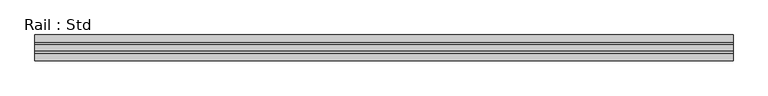
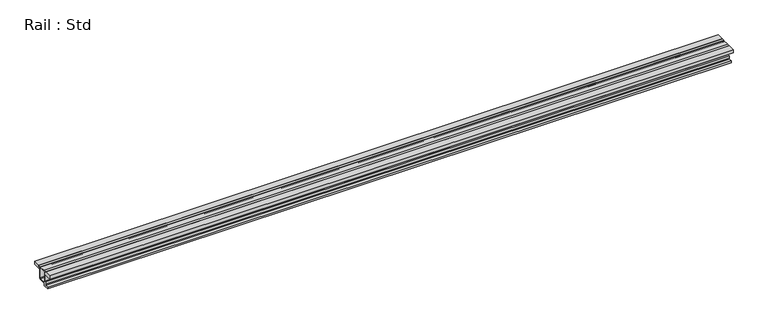
"""IFC4 building model written with IfcOpenShell, lengths in millimetres: proxy geometry, Rail : Std."""

from ifc_helpers import new_model, si_unit, point, frame, frame_2d, origin, place, context, project, spatial, polyline, circle_curve, trimmed, segment, composite_curve, outline, extrude, source, transform, mapped, element, save


def rail_std_59f6c642(model_context):
    return source(origin(), model_context, "Body", "SweptSolid", [
        extrude(outline(composite_curve([segment(polyline([(44.0, 0.0), (44.0, -21.0), (-10.0, -21.0), (-10.0, -10.5272152)]), True, "CONTINUOUS"), segment(trimmed(circle_curve(frame_2d((-8.4863924, -10.5136076)), 1.5136687), [point((-10.0, -10.5272152))], [point((-8.4727848, -9.0))], False, "CARTESIAN"), True, "CONTINUOUS"), segment(polyline([(-8.4727848, -9.0), (0.0, -9.0), (0.0, 0.0), (44.0, 0.0)]), True, "CONTINUOUS")], self_intersect=False)), frame((0.0, 0.0, 0.0), z_axis=(1.0, 0.0, 0.0), x_axis=(0.0, 1.0, 0.0)), (0.0, 0.0, 1.0), 4300.0),
        extrude(outline(composite_curve([segment(polyline([(-116.4999, 0.0), (-72.4999, 0.0), (-72.4999, -9.0), (-64.0271152, -9.0)]), True, "CONTINUOUS"), segment(trimmed(circle_curve(frame_2d((-64.0135076, -10.5136076)), 1.5136687), [point((-64.0271152, -9.0))], [point((-62.4999, -10.5272152))], False, "CARTESIAN"), True, "CONTINUOUS"), segment(polyline([(-62.4999, -10.5272152), (-62.4999, -21.0), (-116.4999, -21.0), (-116.4999, 0.0)]), True, "CONTINUOUS")], self_intersect=False)), frame((0.0, 0.0, 0.0), z_axis=(1.0, 0.0, 0.0), x_axis=(0.0, 1.0, 0.0)), (0.0, 0.0, 1.0), 4300.0),
        extrude(outline(composite_curve([segment(polyline([(-14.8549, 0.0), (0.0, 0.0), (0.0, -9.0), (-8.4727848, -9.0)]), True, "CONTINUOUS"), segment(trimmed(circle_curve(frame_2d((-8.4863924, -10.5136076)), 1.5136687), [point((-8.4727848, -9.0))], [point((-10.0, -10.5272152))], True, "CARTESIAN"), True, "CONTINUOUS"), segment(polyline([(-10.0, -10.5272152), (-10.0, -78.0)]), True, "CONTINUOUS"), segment(trimmed(circle_curve(frame_2d((-15.0164239, -77.9835761)), 5.0164508), [point((-10.0, -78.0))], [point((-15.0328479, -83.0))], False, "CARTESIAN"), True, "CONTINUOUS"), segment(polyline([(-15.0328479, -83.0), (-53.4728366, -83.0)]), True, "CONTINUOUS"), segment(trimmed(circle_curve(frame_2d((-53.4863683, -87.0135317)), 4.0135545), [point((-53.4728366, -83.0))], [point((-57.4999, -87.0270634))], True, "CARTESIAN"), True, "CONTINUOUS"), segment(polyline([(-57.4999, -87.0270634), (-57.4999, -100.0), (-95.4999, -100.0), (-95.4999, -88.0), (-76.5252213, -88.0)]), True, "CONTINUOUS"), segment(trimmed(circle_curve(frame_2d((-76.5125606, -83.9873394)), 4.0126806), [point((-76.5252213, -88.0))], [point((-72.4999, -83.9746787))], True, "CARTESIAN"), True, "CONTINUOUS"), segment(polyline([(-72.4999, -83.9746787), (-72.4999, -67.2670674), (-62.4999, -67.2670674), (-62.4999, -10.5262634)]), True, "CONTINUOUS"), segment(trimmed(circle_curve(frame_2d((-64.0130317, -10.5131317)), 1.5131887), [point((-62.4999, -10.5262634))], [point((-64.0261634, -9.0))], True, "CARTESIAN"), True, "CONTINUOUS"), segment(polyline([(-64.0261634, -9.0), (-72.4999, -9.0), (-72.4999, 0.0), (-55.8549, 0.0), (-55.8549, -2.99), (-14.8549, -2.99), (-14.8549, 0.0)]), True, "CONTINUOUS")], self_intersect=False), holes=[composite_curve([segment(trimmed(circle_curve(frame_2d((-52.4999, -12.99)), 5.0), [point((-52.4999, -7.99))], [point((-57.4999, -12.99))], True, "CARTESIAN"), True, "CONTINUOUS"), segment(polyline([(-57.4999, -12.99), (-57.4999, -73.0)]), True, "CONTINUOUS"), segment(trimmed(circle_curve(frame_2d((-52.4999, -73.0)), 5.0), [point((-57.4999, -73.0))], [point((-52.4999, -78.0))], True, "CARTESIAN"), True, "CONTINUOUS"), segment(polyline([(-52.4999, -78.0), (-20.0, -78.0)]), True, "CONTINUOUS"), segment(trimmed(circle_curve(frame_2d((-20.0, -73.0)), 5.0), [point((-20.0, -78.0))], [point((-15.0, -73.0))], True, "CARTESIAN"), True, "CONTINUOUS"), segment(polyline([(-15.0, -73.0), (-15.0, -12.99)]), True, "CONTINUOUS"), segment(trimmed(circle_curve(frame_2d((-20.0, -12.99)), 5.0), [point((-15.0, -12.99))], [point((-20.0, -7.99))], True, "CARTESIAN"), True, "CONTINUOUS"), segment(polyline([(-20.0, -7.99), (-52.4999, -7.99)]), True, "CONTINUOUS")], self_intersect=False)]), frame((0.0, 0.0, 0.0), z_axis=(1.0, 0.0, 0.0), x_axis=(0.0, 1.0, 0.0)), (0.0, 0.0, 1.0), 4300.0),
    ])


if __name__ == "__main__":
    model = new_model("IFC4")
    model_context = context("Model", 3, world=origin())
    ifc_project = project(units=[si_unit("LENGTHUNIT", "METRE", prefix="MILLI")], contexts=[model_context])
    site = spatial("IfcSite", under=ifc_project)
    building = spatial("IfcBuilding", under=site)
    placement = place(None, origin())
    rail_std_shape = rail_std_59f6c642(model_context)
    element("IfcBuildingElementProxy", 1, Name="Rail : Std", ObjectType="Rail : Std", at=placement, inside=building, context=model_context, shape_type="MappedRepresentation", body=[
        mapped(rail_std_shape, transform((0.0, 0.0, 0.0), x_axis=(1.0, 0.0, 0.0), y_axis=(0.0, 1.0, 0.0), z_axis=(0.0, 0.0, 1.0))),
    ])
    save(model, "model.ifc")
